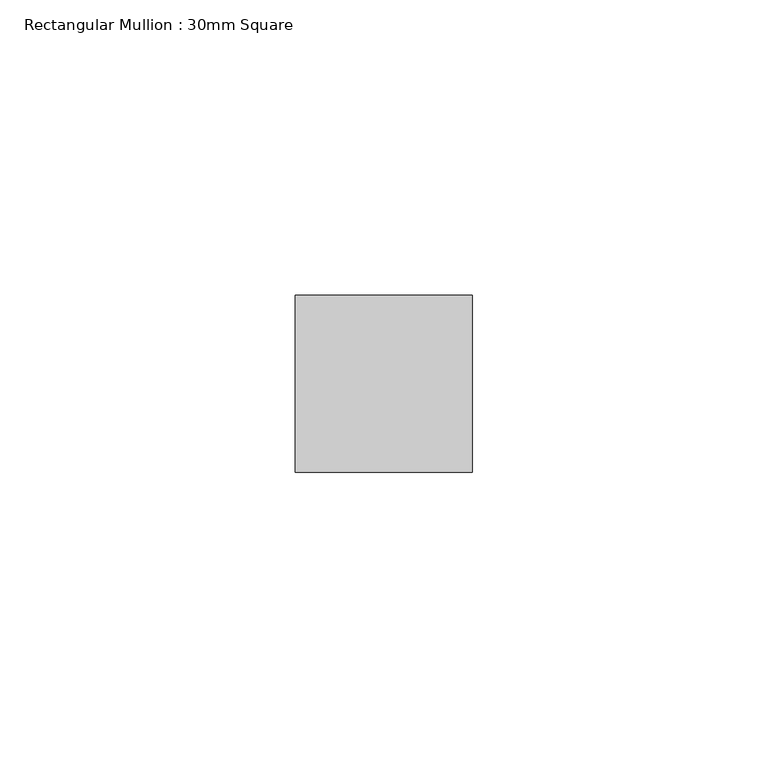
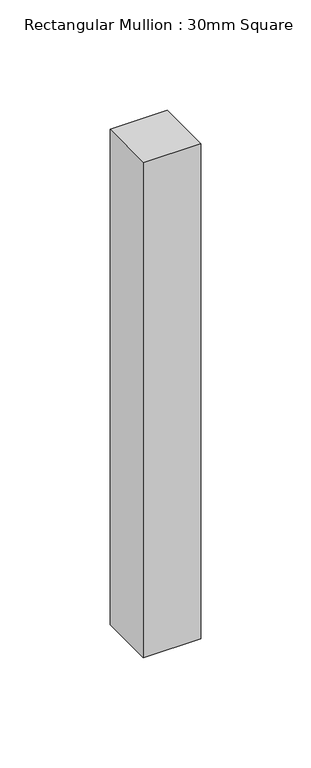
"""IFC4 building model written with IfcOpenShell, lengths in millimetres: member geometry, Rectangular Mullion : 30mm Square."""

from ifc_helpers import new_model, si_unit, frame, origin, place, context, project, spatial, polyline, outline, extrude, source, transform, mapped, element, save


def rectangular_mullion_30mm_square_b3702adc(model_context):
    return source(origin(), model_context, "Body", "SweptSolid", [
        extrude(outline(polyline([(-15.0, -0.1415787), (15.0, 0.1402549), (15.0, -274.3973104), (-15.0, -274.3973104), (-15.0, -0.1415787)])), frame((-30.0, 0.0, 0.0), z_axis=(1.0, 0.0, 0.0), x_axis=(0.0, 1.0, 0.0)), (0.0, 0.0, 1.0), 30.0),
    ])


if __name__ == "__main__":
    model = new_model("IFC4")
    model_context = context("Model", 3, world=origin())
    ifc_project = project(units=[si_unit("LENGTHUNIT", "METRE", prefix="MILLI")], contexts=[model_context])
    site = spatial("IfcSite", under=ifc_project)
    building = spatial("IfcBuilding", under=site)
    placement = place(None, origin())
    rectangular_mullion_30mm_square_shape = rectangular_mullion_30mm_square_b3702adc(model_context)
    element("IfcMember", 1, ObjectType="Rectangular Mullion : 30mm Square", at=placement, inside=building, context=model_context, shape_type="MappedRepresentation", body=[
        mapped(rectangular_mullion_30mm_square_shape, transform((0.0, 0.0, 0.0), x_axis=(1.0, 0.0, 0.0), y_axis=(0.0, 1.0, 0.0), z_axis=(0.0, 0.0, 1.0))),
    ])
    save(model, "model.ifc")
